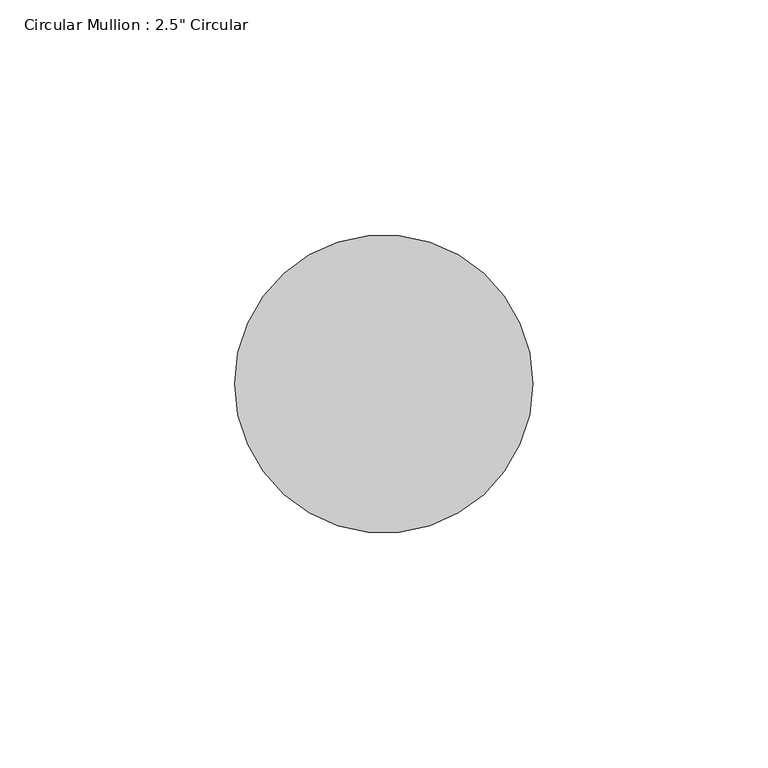
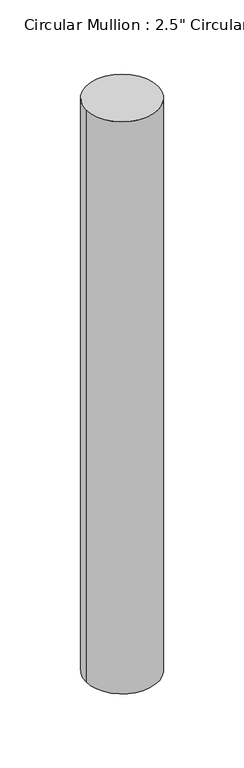
"""IFC4 building model written with IfcOpenShell, lengths in millimetres: member geometry."""

import ifcopenshell
import ifcopenshell.guid

model = None  # the IFC model being written
_history = None  # IfcOwnerHistory: only IFC2X3 demands one
_inside = {}  # id of a spatial element -> (the spatial element, [elements in it])
_under = {}  # id of a project, library or spatial element -> (it, [spatial elements below it])
_declared = {}  # id of a project -> (the project, [libraries it declares])
_typed = {}  # id of a type object -> (the type object, [elements of that type])
_made_of = {}  # id of a material, layer set ... -> (it, [elements and type objects made of it])


def new_model(schema):
    """Start an empty IFC model of exactly this schema.

    Asked for "IFC4X3", IfcOpenShell would pick the latest addendum, in which some entities
    have other attributes; the version numbers below select the first issue.
    IFC2X3 requires an IfcOwnerHistory on every rooted entity: one is made here for all.
    """
    global model, _history
    if schema == "IFC4X3":
        model = ifcopenshell.file(schema_version=(4, 3, 0, 0))
    else:
        model = ifcopenshell.file(schema=schema)
    _inside.clear()
    _under.clear()
    _declared.clear()
    _typed.clear()
    _made_of.clear()
    _history = None
    if model.schema == "IFC2X3":
        org = make("IfcOrganization", Name="unknown")
        user = make(
            "IfcPersonAndOrganization",
            ThePerson=make("IfcPerson", FamilyName="unknown"),
            TheOrganization=org,
        )
        app = make(
            "IfcApplication",
            ApplicationDeveloper=org,
            Version="unknown",
            ApplicationFullName="unknown",
            ApplicationIdentifier="unknown",
        )
        _history = make(
            "IfcOwnerHistory",
            OwningUser=user,
            OwningApplication=app,
            ChangeAction="ADDED",
            CreationDate=0,
        )
    return model


def make(cls, **values):
    """One entity of the class cls with the attributes given. An attribute that is None is left unset."""
    return model.create_entity(
        cls, **{name: value for name, value in values.items() if value is not None}
    )


def rooted(cls, **values):
    """An entity with a GlobalId (a new one), such as an element, a storey or a relation."""
    return make(cls, GlobalId=ifcopenshell.guid.new(), OwnerHistory=_history, **values)


def si_unit(unit_type, name, prefix=None):
    """IfcSIUnit, for example si_unit("LENGTHUNIT", "METRE", prefix="MILLI")."""
    return make("IfcSIUnit", UnitType=unit_type, Prefix=prefix, Name=name)


def assignment(units):
    """IfcUnitAssignment: the units of a project."""
    return None if units is None else make("IfcUnitAssignment", Units=units)


def point(xyz):
    """IfcCartesianPoint."""
    return None if xyz is None else make("IfcCartesianPoint", Coordinates=xyz)


def direction(xyz):
    """IfcDirection."""
    return None if xyz is None else make("IfcDirection", DirectionRatios=xyz)


def frame(location, z_axis=None, x_axis=None):
    """IfcAxis2Placement3D, a coordinate frame: its origin and axes. An axis left out is left unset."""
    return make(
        "IfcAxis2Placement3D",
        Location=point(location),
        Axis=direction(z_axis),
        RefDirection=direction(x_axis),
    )


def frame_2d(location, x_axis=None):
    """IfcAxis2Placement2D, a coordinate frame in the plane: its origin and x axis."""
    return make(
        "IfcAxis2Placement2D", Location=point(location), RefDirection=direction(x_axis)
    )


def origin():
    """The frame at (0, 0, 0) with its axes left unset."""
    return frame((0.0, 0.0, 0.0))


def place(relative_to, where):
    """IfcLocalPlacement: puts the frame where relative to a parent placement (None: the world)."""
    return make(
        "IfcLocalPlacement", PlacementRelTo=relative_to, RelativePlacement=where
    )


def context(
    kind, dimensions, precision=None, world=None, true_north=None, identifier=None
):
    """IfcGeometricRepresentationContext, for example the 3D "Model" context."""
    return make(
        "IfcGeometricRepresentationContext",
        ContextIdentifier=identifier,
        ContextType=kind,
        CoordinateSpaceDimension=dimensions,
        Precision=precision,
        WorldCoordinateSystem=world,
        TrueNorth=true_north,
    )


def project(units=None, contexts=None):
    """IfcProject with its units and contexts."""
    return rooted(
        "IfcProject",
        Name="project",
        RepresentationContexts=contexts,
        UnitsInContext=assignment(units),
    )


def spatial(cls, under=None, at=None, **own):
    """A site, building, storey or space (cls), placed at a placement, below another one or the project."""
    s = rooted(cls, ObjectPlacement=at, **own)
    if under is not None:
        _under.setdefault(under.id(), (under, []))[1].append(s)
    return s


def circle_curve(where, radius):
    """IfcCircle in the frame where."""
    return make("IfcCircle", Position=where, Radius=radius)


def trimmed(basis, trim1, trim2, sense, master):
    """IfcTrimmedCurve: the piece of a basis curve between two trims."""
    return make(
        "IfcTrimmedCurve",
        BasisCurve=basis,
        Trim1=trim1,
        Trim2=trim2,
        SenseAgreement=sense,
        MasterRepresentation=master,
    )


def segment(curve, same_sense, transition):
    """IfcCompositeCurveSegment."""
    return make(
        "IfcCompositeCurveSegment",
        Transition=transition,
        SameSense=same_sense,
        ParentCurve=curve,
    )


def composite_curve(segments, self_intersect=None):
    """IfcCompositeCurve: segments joined end to end."""
    return make("IfcCompositeCurve", Segments=segments, SelfIntersect=self_intersect)


def outline(outer, holes=None, kind="AREA"):
    """IfcArbitraryClosedProfileDef: a profile drawn as a closed curve; with holes, ...WithVoids."""
    if holes is None:
        return make("IfcArbitraryClosedProfileDef", ProfileType=kind, OuterCurve=outer)
    return make(
        "IfcArbitraryProfileDefWithVoids",
        ProfileType=kind,
        OuterCurve=outer,
        InnerCurves=holes,
    )


def extrude(swept, where, along, depth):
    """IfcExtrudedAreaSolid: the profile swept, set in the frame where, extruded along a direction by depth."""
    return make(
        "IfcExtrudedAreaSolid",
        SweptArea=swept,
        Position=where,
        ExtrudedDirection=direction(along),
        Depth=depth,
    )


def shape(context_of_items, identifier, shape_type, items):
    """IfcShapeRepresentation: the items that make up one representation, for example the "Body"."""
    return make(
        "IfcShapeRepresentation",
        ContextOfItems=context_of_items,
        RepresentationIdentifier=identifier,
        RepresentationType=shape_type,
        Items=items,
    )


def source(mapping_origin, context_of_items, identifier, shape_type, items):
    """IfcRepresentationMap: a shape defined once, which mapped items show again and again."""
    return make(
        "IfcRepresentationMap",
        MappingOrigin=mapping_origin,
        MappedRepresentation=shape(context_of_items, identifier, shape_type, items),
    )


def transform(
    local_origin,
    x_axis=None,
    y_axis=None,
    z_axis=None,
    scale=None,
    scale2=None,
    scale3=None,
    uniform=True,
):
    """IfcCartesianTransformationOperator3D, or its non-uniform kind. x_axis, y_axis, z_axis: its Axis1, 2, 3."""
    if uniform:
        return make(
            "IfcCartesianTransformationOperator3D",
            Axis1=direction(x_axis),
            Axis2=direction(y_axis),
            LocalOrigin=point(local_origin),
            Scale=scale,
            Axis3=direction(z_axis),
        )
    return make(
        "IfcCartesianTransformationOperator3DnonUniform",
        Axis1=direction(x_axis),
        Axis2=direction(y_axis),
        LocalOrigin=point(local_origin),
        Scale=scale,
        Axis3=direction(z_axis),
        Scale2=scale2,
        Scale3=scale3,
    )


def mapped(mapping_source, mapping_target):
    """IfcMappedItem: shows the shape of a source again, moved by a transform."""
    return make(
        "IfcMappedItem", MappingSource=mapping_source, MappingTarget=mapping_target
    )


def made_of(thing, what):
    """Note that an element or type object is made of a material, layer set ...; save() writes the relation."""
    if what is not None:
        _made_of.setdefault(what.id(), (what, []))[1].append(thing)
    return thing


def element(
    cls,
    number,
    at=None,
    inside=None,
    cuts=None,
    type_object=None,
    material=None,
    context=None,
    identifier="Body",
    shape_type=None,
    held_by="IfcProductDefinitionShape",
    body=None,
    shapes=None,
    **own,
):
    """One element of the class cls, such as IfcWall. Its Tag is "e" and its number.

    at: its placement. inside: the storey or other place that contains it. cuts: it is an
    opening in that element (IfcRelVoidsElement). A single representation is given by context,
    identifier, shape_type and body (its items); several are given by shapes. held_by: the class
    of the entity that holds the representations. save() writes the other relations.
    """
    e = rooted(cls, Tag="e%d" % number, ObjectPlacement=at, **own)
    if body is not None:
        shapes = [shape(context, identifier, shape_type, body)]
    if shapes is not None:
        e.Representation = make(held_by, Representations=shapes)
    if inside is not None:
        _inside.setdefault(inside.id(), (inside, []))[1].append(e)
    if cuts is not None:
        rooted(
            "IfcRelVoidsElement", RelatingBuildingElement=cuts, RelatedOpeningElement=e
        )
    if type_object is not None:
        _typed.setdefault(type_object.id(), (type_object, []))[1].append(e)
    return made_of(e, material)


def aggregate(whole, parts):
    """IfcRelAggregates: a whole, such as a stair, and the parts it consists of."""
    return rooted("IfcRelAggregates", RelatingObject=whole, RelatedObjects=parts)


def save(model, path):
    """Write the relations noted so far, then the file.

    IfcRelAggregates (storeys below a building ...), IfcRelContainedInSpatialStructure (elements
    in a storey), IfcRelDefinesByType, IfcRelAssociatesMaterial and IfcRelDeclares: one each for
    every whole, place, type object, material and project.
    """
    for whole, parts in _under.values():
        aggregate(whole, parts)
    for where, things in _inside.values():
        rooted(
            "IfcRelContainedInSpatialStructure",
            RelatedElements=things,
            RelatingStructure=where,
        )
    for kind, things in _typed.values():
        rooted("IfcRelDefinesByType", RelatedObjects=things, RelatingType=kind)
    for what, things in _made_of.values():
        rooted("IfcRelAssociatesMaterial", RelatedObjects=things, RelatingMaterial=what)
    for by, libraries in _declared.values():
        rooted("IfcRelDeclares", RelatingContext=by, RelatedDefinitions=libraries)
    model.write(path)


def member_34d8b426(model_context):
    return source(origin(), model_context, "Body", "SweptSolid", [
        extrude(outline(composite_curve([segment(trimmed(circle_curve(frame_2d((-31.75, 0.0)), 31.75), [point((0.0, 0.0))], [point((-63.5, 0.0))], False, "CARTESIAN"), True, "CONTINUOUS"), segment(trimmed(circle_curve(frame_2d((-31.75, 0.0)), 31.75), [point((-63.5, 0.0))], [point((0.0, 0.0))], False, "CARTESIAN"), True, "CONTINUOUS")], self_intersect=False)), frame((0.0, 0.0, -533.4), z_axis=(0.0, 0.0, 1.0), x_axis=(1.0, 0.0, 0.0)), (0.0, 0.0, 1.0), 533.4),
    ])


if __name__ == "__main__":
    model = new_model("IFC4")
    model_context = context("Model", 3, world=origin())
    ifc_project = project(units=[si_unit("LENGTHUNIT", "METRE", prefix="MILLI")], contexts=[model_context])
    site = spatial("IfcSite", under=ifc_project)
    building = spatial("IfcBuilding", under=site)
    placement = place(None, origin())
    member_shape = member_34d8b426(model_context)
    element("IfcMember", 1, ObjectType="Circular Mullion : 2.5\" Circular", at=placement, inside=building, context=model_context, shape_type="MappedRepresentation", body=[
        mapped(member_shape, transform((0.0, 0.0, 0.0), x_axis=(1.0, 0.0, 0.0), y_axis=(0.0, 1.0, 0.0), z_axis=(0.0, 0.0, 1.0))),
    ])
    save(model, "model.ifc")
